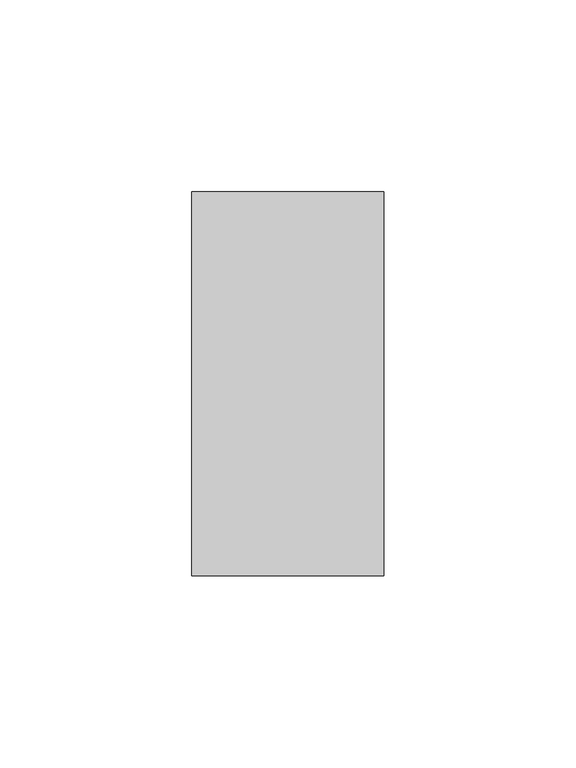
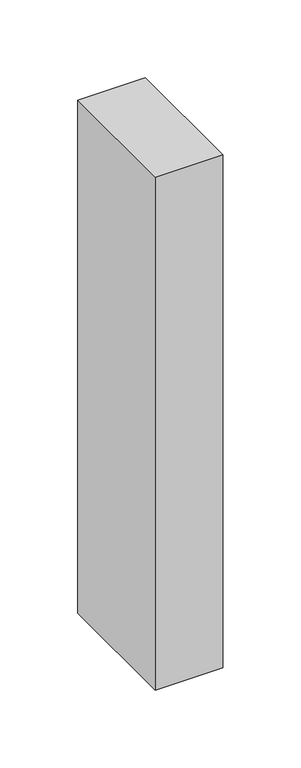
"""IFC4 building model written with IfcOpenShell, lengths in millimetres: member geometry."""

from ifc_helpers import new_model, si_unit, frame, origin, place, context, project, spatial, polyline, outline, extrude, source, transform, mapped, element, save


def member_d99e4b33(model_context):
    return source(origin(), model_context, "Body", "SweptSolid", [
        extrude(outline(polyline([(25.0, 50.0), (25.0, -50.0), (-25.0, -50.0), (-25.0, 50.0), (25.0, 50.0)])), frame((0.0, 0.0, -402.7324119), z_axis=(0.0, 0.0, 1.0), x_axis=(1.0, 0.0, 0.0)), (0.0, 0.0, 1.0), 402.7324119),
    ])


if __name__ == "__main__":
    model = new_model("IFC4")
    model_context = context("Model", 3, world=origin())
    ifc_project = project(units=[si_unit("LENGTHUNIT", "METRE", prefix="MILLI")], contexts=[model_context])
    site = spatial("IfcSite", under=ifc_project)
    building = spatial("IfcBuilding", under=site)
    placement = place(None, origin())
    member_shape = member_d99e4b33(model_context)
    element("IfcMember", 1, at=placement, inside=building, context=model_context, shape_type="MappedRepresentation", body=[
        mapped(member_shape, transform((0.0, 0.0, 0.0), x_axis=(1.0, 0.0, 0.0), y_axis=(0.0, 1.0, 0.0), z_axis=(0.0, 0.0, 1.0))),
    ])
    save(model, "model.ifc")
